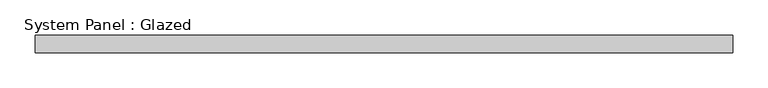
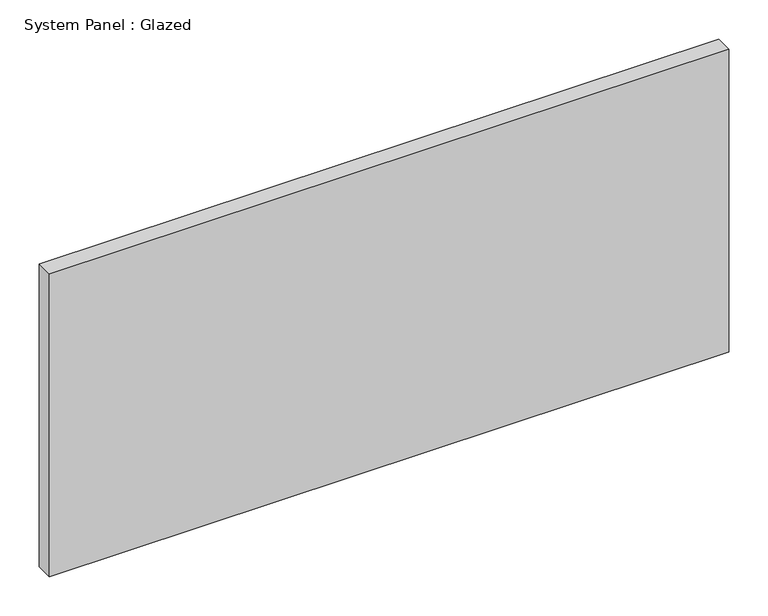
"""IFC4 building model written with IfcOpenShell, lengths in millimetres: plate geometry, System Panel : Glazed."""

from ifc_helpers import new_model, si_unit, origin, origin_with_axes, place, context, project, spatial, polyline, outline, extrude, source, transform, mapped, element, save


def system_panel_glazed_568b4e19(model_context):
    return source(origin(), model_context, "Body", "SweptSolid", [
        extrude(outline(polyline([(498.475, -12.7), (-498.475, -12.7), (-498.475, 12.7), (498.475, 12.7), (498.475, -12.7)])), origin_with_axes(), (0.0, 0.0, 1.0), 469.9),
    ])


if __name__ == "__main__":
    model = new_model("IFC4")
    model_context = context("Model", 3, world=origin())
    ifc_project = project(units=[si_unit("LENGTHUNIT", "METRE", prefix="MILLI")], contexts=[model_context])
    site = spatial("IfcSite", under=ifc_project)
    building = spatial("IfcBuilding", under=site)
    placement = place(None, origin())
    system_panel_glazed_shape = system_panel_glazed_568b4e19(model_context)
    element("IfcPlate", 1, ObjectType="System Panel : Glazed", at=placement, inside=building, context=model_context, shape_type="MappedRepresentation", body=[
        mapped(system_panel_glazed_shape, transform((0.0, 0.0, 0.0), x_axis=(1.0, 0.0, 0.0), y_axis=(0.0, 1.0, 0.0), z_axis=(0.0, 0.0, 1.0))),
    ])
    save(model, "model.ifc")
